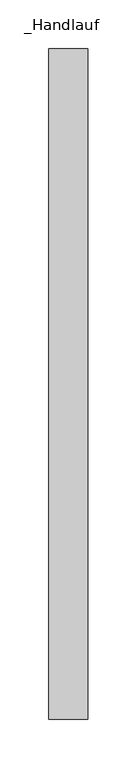
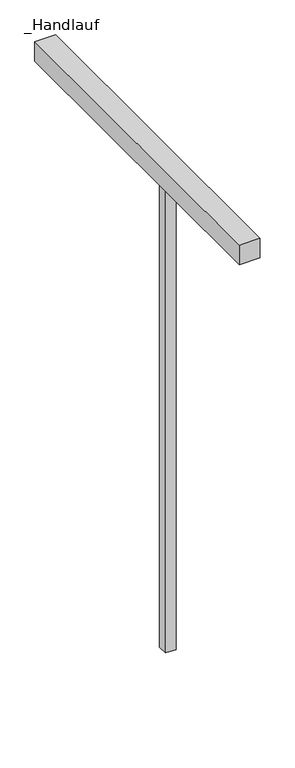
"""IFC4 building model written with IfcOpenShell, lengths in millimetres: railing geometry, _Handlauf."""

from ifc_helpers import new_model, si_unit, frame, origin, place, context, project, spatial, polyline, outline, extrude, source, transform, mapped, element, save


def handlauf_633a587a(model_context):
    return source(origin(), model_context, "Body", "SweptSolid", [
        extrude(outline(polyline([(8940.0, 8050.0), (8980.0, 8050.0), (8980.0, 7362.6), (8940.0, 7362.6), (8940.0, 8050.0)])), frame((0.0, 0.0, 4460.0), z_axis=(0.0, 0.0, 1.0), x_axis=(1.0, 0.0, 0.0)), (0.0, 0.0, 1.0), 40.0),
        extrude(outline(polyline([(8950.0, 7647.56), (8970.0, 7647.56), (8970.0, 7627.56), (8950.0, 7627.56), (8950.0, 7647.56)])), frame((0.0, 0.0, 3500.0), z_axis=(0.0, 0.0, 1.0), x_axis=(1.0, 0.0, 0.0)), (0.0, 0.0, 1.0), 960.0),
    ])


if __name__ == "__main__":
    model = new_model("IFC4")
    model_context = context("Model", 3, world=origin())
    ifc_project = project(units=[si_unit("LENGTHUNIT", "METRE", prefix="MILLI")], contexts=[model_context])
    site = spatial("IfcSite", under=ifc_project)
    building = spatial("IfcBuilding", under=site)
    placement = place(None, origin())
    handlauf_shape = handlauf_633a587a(model_context)
    element("IfcRailing", 1, ObjectType="_Handlauf", at=placement, inside=building, context=model_context, shape_type="MappedRepresentation", body=[
        mapped(handlauf_shape, transform((0.0, 0.0, 0.0), x_axis=(1.0, 0.0, 0.0), y_axis=(0.0, 1.0, 0.0), z_axis=(0.0, 0.0, 1.0))),
    ])
    save(model, "model.ifc")
